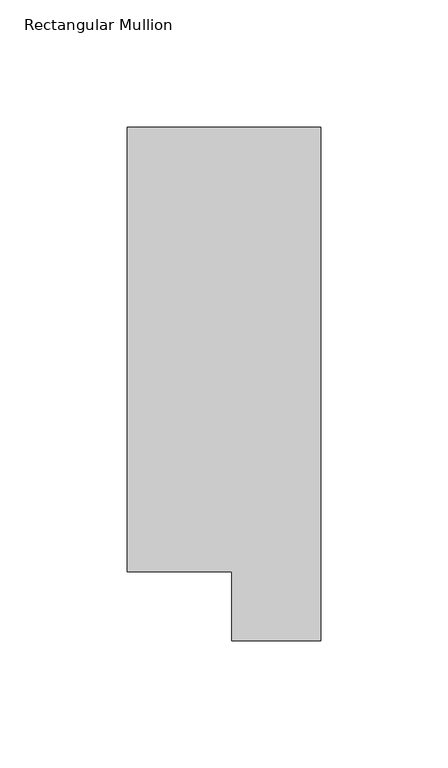
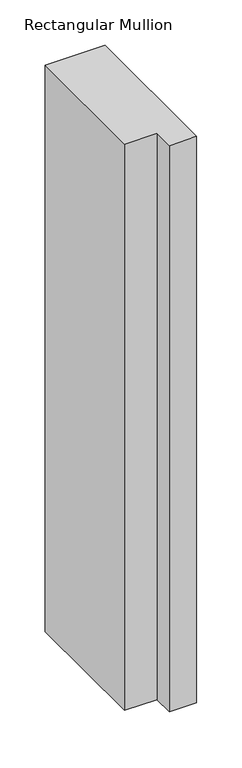
"""IFC4 building model written with IfcOpenShell, lengths in millimetres: member geometry, Rectangular Mullion."""

from ifc_helpers import new_model, si_unit, frame, origin, place, context, project, spatial, polyline, outline, extrude, source, transform, mapped, element, save


def rectangular_mullion_abde5a35(model_context):
    return source(origin(), model_context, "Body", "SweptSolid", [
        extrude(outline(polyline([(0.0, 221.7507313), (0.0, 19.5667313), (-34.9123, 19.5667313), (-34.9123, 46.7447302), (-76.2, 46.7447302), (-76.2, 221.7507313), (0.0, 221.7507313)])), frame((0.0, 0.0, -762.0), z_axis=(0.0, 0.0, 1.0), x_axis=(1.0, 0.0, 0.0)), (0.0, 0.0, 1.0), 762.0),
    ])


if __name__ == "__main__":
    model = new_model("IFC4")
    model_context = context("Model", 3, world=origin())
    ifc_project = project(units=[si_unit("LENGTHUNIT", "METRE", prefix="MILLI")], contexts=[model_context])
    site = spatial("IfcSite", under=ifc_project)
    building = spatial("IfcBuilding", under=site)
    placement = place(None, origin())
    rectangular_mullion_shape = rectangular_mullion_abde5a35(model_context)
    element("IfcMember", 1, ObjectType="Rectangular Mullion", at=placement, inside=building, context=model_context, shape_type="MappedRepresentation", body=[
        mapped(rectangular_mullion_shape, transform((0.0, 0.0, 0.0), x_axis=(1.0, 0.0, 0.0), y_axis=(0.0, 1.0, 0.0), z_axis=(0.0, 0.0, 1.0))),
    ])
    save(model, "model.ifc")
